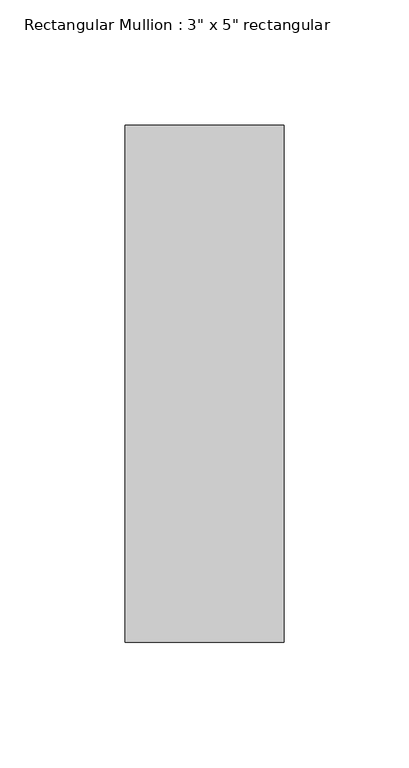
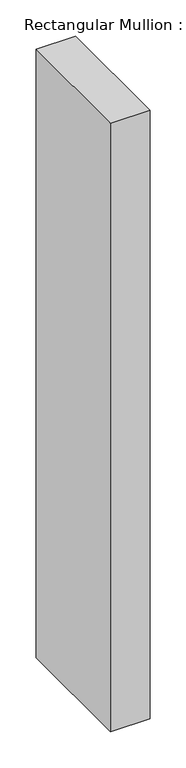
"""IFC4 building model written with IfcOpenShell, lengths in millimetres: member geometry."""

from ifc_helpers import new_model, si_unit, frame, origin, place, context, project, spatial, polyline, outline, extrude, source, transform, mapped, element, save


def member_49461b60(model_context):
    return source(origin(), model_context, "Body", "SweptSolid", [
        extrude(outline(polyline([(31.75, 90.551), (31.75, -115.951), (-31.75, -115.951), (-31.75, 90.551), (31.75, 90.551)])), frame((0.0, 0.0, -1028.7), z_axis=(0.0, 0.0, 1.0), x_axis=(1.0, 0.0, 0.0)), (0.0, 0.0, 1.0), 1028.7),
    ])


if __name__ == "__main__":
    model = new_model("IFC4")
    model_context = context("Model", 3, world=origin())
    ifc_project = project(units=[si_unit("LENGTHUNIT", "METRE", prefix="MILLI")], contexts=[model_context])
    site = spatial("IfcSite", under=ifc_project)
    building = spatial("IfcBuilding", under=site)
    placement = place(None, origin())
    member_shape = member_49461b60(model_context)
    element("IfcMember", 1, ObjectType="Rectangular Mullion : 3\" x 5\" rectangular", at=placement, inside=building, context=model_context, shape_type="MappedRepresentation", body=[
        mapped(member_shape, transform((0.0, 0.0, 0.0), x_axis=(1.0, 0.0, 0.0), y_axis=(0.0, 1.0, 0.0), z_axis=(0.0, 0.0, 1.0))),
    ])
    save(model, "model.ifc")
